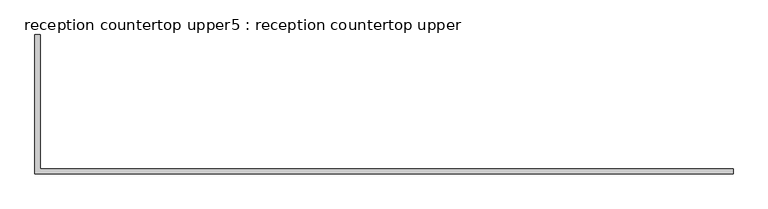
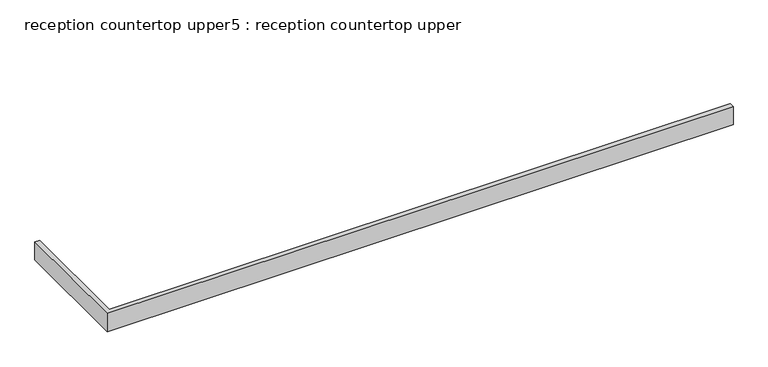
"""IFC4 building model written with IfcOpenShell, lengths in millimetres: furniture geometry, reception countertop upper5 : reception countertop upper."""

from ifc_helpers import new_model, si_unit, frame, origin, place, context, project, spatial, polyline, outline, extrude, source, transform, mapped, element, save


def reception_countertop_upper5_reception_countertop_upper_6005fef0(model_context):
    return source(origin(), model_context, "Body", "SweptSolid", [
        extrude(outline(polyline([(34683.7, 1612.9), (31378.2655794, 1612.9), (31378.2655794, 2273.3), (31403.6655794, 2273.3), (31403.6655794, 1638.3), (34683.7, 1638.3), (34683.7, 1612.9)])), frame((0.0, 0.0, 622.3), z_axis=(0.0, 0.0, 1.0), x_axis=(1.0, 0.0, 0.0)), (0.0, 0.0, 1.0), 101.6),
    ])


if __name__ == "__main__":
    model = new_model("IFC4")
    model_context = context("Model", 3, world=origin())
    ifc_project = project(units=[si_unit("LENGTHUNIT", "METRE", prefix="MILLI")], contexts=[model_context])
    site = spatial("IfcSite", under=ifc_project)
    building = spatial("IfcBuilding", under=site)
    placement = place(None, origin())
    reception_countertop_upper5_reception_countertop_upper_shape = reception_countertop_upper5_reception_countertop_upper_6005fef0(model_context)
    element("IfcFurniture", 1, ObjectType="reception countertop upper5 : reception countertop upper", at=placement, inside=building, context=model_context, shape_type="MappedRepresentation", body=[
        mapped(reception_countertop_upper5_reception_countertop_upper_shape, transform((0.0, 0.0, 0.0), x_axis=(1.0, 0.0, 0.0), y_axis=(0.0, 1.0, 0.0), z_axis=(0.0, 0.0, 1.0))),
    ])
    save(model, "model.ifc")
